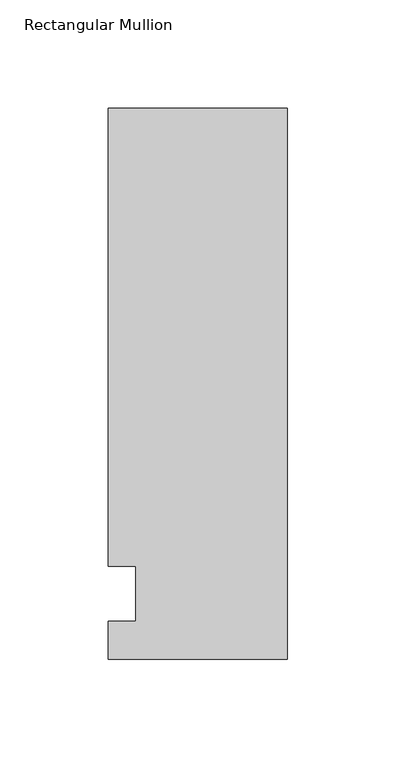
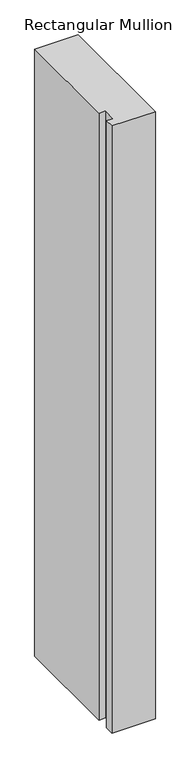
"""IFC4 building model written with IfcOpenShell, lengths in millimetres: member geometry, Rectangular Mullion."""

import ifcopenshell
import ifcopenshell.guid

model = None  # the IFC model being written
_history = None  # IfcOwnerHistory: only IFC2X3 demands one
_inside = {}  # id of a spatial element -> (the spatial element, [elements in it])
_under = {}  # id of a project, library or spatial element -> (it, [spatial elements below it])
_declared = {}  # id of a project -> (the project, [libraries it declares])
_typed = {}  # id of a type object -> (the type object, [elements of that type])
_made_of = {}  # id of a material, layer set ... -> (it, [elements and type objects made of it])


def new_model(schema):
    """Start an empty IFC model of exactly this schema.

    Asked for "IFC4X3", IfcOpenShell would pick the latest addendum, in which some entities
    have other attributes; the version numbers below select the first issue.
    IFC2X3 requires an IfcOwnerHistory on every rooted entity: one is made here for all.
    """
    global model, _history
    if schema == "IFC4X3":
        model = ifcopenshell.file(schema_version=(4, 3, 0, 0))
    else:
        model = ifcopenshell.file(schema=schema)
    _inside.clear()
    _under.clear()
    _declared.clear()
    _typed.clear()
    _made_of.clear()
    _history = None
    if model.schema == "IFC2X3":
        org = make("IfcOrganization", Name="unknown")
        user = make(
            "IfcPersonAndOrganization",
            ThePerson=make("IfcPerson", FamilyName="unknown"),
            TheOrganization=org,
        )
        app = make(
            "IfcApplication",
            ApplicationDeveloper=org,
            Version="unknown",
            ApplicationFullName="unknown",
            ApplicationIdentifier="unknown",
        )
        _history = make(
            "IfcOwnerHistory",
            OwningUser=user,
            OwningApplication=app,
            ChangeAction="ADDED",
            CreationDate=0,
        )
    return model


def make(cls, **values):
    """One entity of the class cls with the attributes given. An attribute that is None is left unset."""
    return model.create_entity(
        cls, **{name: value for name, value in values.items() if value is not None}
    )


def rooted(cls, **values):
    """An entity with a GlobalId (a new one), such as an element, a storey or a relation."""
    return make(cls, GlobalId=ifcopenshell.guid.new(), OwnerHistory=_history, **values)


def si_unit(unit_type, name, prefix=None):
    """IfcSIUnit, for example si_unit("LENGTHUNIT", "METRE", prefix="MILLI")."""
    return make("IfcSIUnit", UnitType=unit_type, Prefix=prefix, Name=name)


def assignment(units):
    """IfcUnitAssignment: the units of a project."""
    return None if units is None else make("IfcUnitAssignment", Units=units)


def point(xyz):
    """IfcCartesianPoint."""
    return None if xyz is None else make("IfcCartesianPoint", Coordinates=xyz)


def direction(xyz):
    """IfcDirection."""
    return None if xyz is None else make("IfcDirection", DirectionRatios=xyz)


def frame(location, z_axis=None, x_axis=None):
    """IfcAxis2Placement3D, a coordinate frame: its origin and axes. An axis left out is left unset."""
    return make(
        "IfcAxis2Placement3D",
        Location=point(location),
        Axis=direction(z_axis),
        RefDirection=direction(x_axis),
    )


def origin():
    """The frame at (0, 0, 0) with its axes left unset."""
    return frame((0.0, 0.0, 0.0))


def place(relative_to, where):
    """IfcLocalPlacement: puts the frame where relative to a parent placement (None: the world)."""
    return make(
        "IfcLocalPlacement", PlacementRelTo=relative_to, RelativePlacement=where
    )


def context(
    kind, dimensions, precision=None, world=None, true_north=None, identifier=None
):
    """IfcGeometricRepresentationContext, for example the 3D "Model" context."""
    return make(
        "IfcGeometricRepresentationContext",
        ContextIdentifier=identifier,
        ContextType=kind,
        CoordinateSpaceDimension=dimensions,
        Precision=precision,
        WorldCoordinateSystem=world,
        TrueNorth=true_north,
    )


def project(units=None, contexts=None):
    """IfcProject with its units and contexts."""
    return rooted(
        "IfcProject",
        Name="project",
        RepresentationContexts=contexts,
        UnitsInContext=assignment(units),
    )


def spatial(cls, under=None, at=None, **own):
    """A site, building, storey or space (cls), placed at a placement, below another one or the project."""
    s = rooted(cls, ObjectPlacement=at, **own)
    if under is not None:
        _under.setdefault(under.id(), (under, []))[1].append(s)
    return s


def polyline(points):
    """IfcPolyline through the points."""
    return make("IfcPolyline", Points=[point(p) for p in points])


def outline(outer, holes=None, kind="AREA"):
    """IfcArbitraryClosedProfileDef: a profile drawn as a closed curve; with holes, ...WithVoids."""
    if holes is None:
        return make("IfcArbitraryClosedProfileDef", ProfileType=kind, OuterCurve=outer)
    return make(
        "IfcArbitraryProfileDefWithVoids",
        ProfileType=kind,
        OuterCurve=outer,
        InnerCurves=holes,
    )


def extrude(swept, where, along, depth):
    """IfcExtrudedAreaSolid: the profile swept, set in the frame where, extruded along a direction by depth."""
    return make(
        "IfcExtrudedAreaSolid",
        SweptArea=swept,
        Position=where,
        ExtrudedDirection=direction(along),
        Depth=depth,
    )


def shape(context_of_items, identifier, shape_type, items):
    """IfcShapeRepresentation: the items that make up one representation, for example the "Body"."""
    return make(
        "IfcShapeRepresentation",
        ContextOfItems=context_of_items,
        RepresentationIdentifier=identifier,
        RepresentationType=shape_type,
        Items=items,
    )


def source(mapping_origin, context_of_items, identifier, shape_type, items):
    """IfcRepresentationMap: a shape defined once, which mapped items show again and again."""
    return make(
        "IfcRepresentationMap",
        MappingOrigin=mapping_origin,
        MappedRepresentation=shape(context_of_items, identifier, shape_type, items),
    )


def transform(
    local_origin,
    x_axis=None,
    y_axis=None,
    z_axis=None,
    scale=None,
    scale2=None,
    scale3=None,
    uniform=True,
):
    """IfcCartesianTransformationOperator3D, or its non-uniform kind. x_axis, y_axis, z_axis: its Axis1, 2, 3."""
    if uniform:
        return make(
            "IfcCartesianTransformationOperator3D",
            Axis1=direction(x_axis),
            Axis2=direction(y_axis),
            LocalOrigin=point(local_origin),
            Scale=scale,
            Axis3=direction(z_axis),
        )
    return make(
        "IfcCartesianTransformationOperator3DnonUniform",
        Axis1=direction(x_axis),
        Axis2=direction(y_axis),
        LocalOrigin=point(local_origin),
        Scale=scale,
        Axis3=direction(z_axis),
        Scale2=scale2,
        Scale3=scale3,
    )


def mapped(mapping_source, mapping_target):
    """IfcMappedItem: shows the shape of a source again, moved by a transform."""
    return make(
        "IfcMappedItem", MappingSource=mapping_source, MappingTarget=mapping_target
    )


def made_of(thing, what):
    """Note that an element or type object is made of a material, layer set ...; save() writes the relation."""
    if what is not None:
        _made_of.setdefault(what.id(), (what, []))[1].append(thing)
    return thing


def element(
    cls,
    number,
    at=None,
    inside=None,
    cuts=None,
    type_object=None,
    material=None,
    context=None,
    identifier="Body",
    shape_type=None,
    held_by="IfcProductDefinitionShape",
    body=None,
    shapes=None,
    **own,
):
    """One element of the class cls, such as IfcWall. Its Tag is "e" and its number.

    at: its placement. inside: the storey or other place that contains it. cuts: it is an
    opening in that element (IfcRelVoidsElement). A single representation is given by context,
    identifier, shape_type and body (its items); several are given by shapes. held_by: the class
    of the entity that holds the representations. save() writes the other relations.
    """
    e = rooted(cls, Tag="e%d" % number, ObjectPlacement=at, **own)
    if body is not None:
        shapes = [shape(context, identifier, shape_type, body)]
    if shapes is not None:
        e.Representation = make(held_by, Representations=shapes)
    if inside is not None:
        _inside.setdefault(inside.id(), (inside, []))[1].append(e)
    if cuts is not None:
        rooted(
            "IfcRelVoidsElement", RelatingBuildingElement=cuts, RelatedOpeningElement=e
        )
    if type_object is not None:
        _typed.setdefault(type_object.id(), (type_object, []))[1].append(e)
    return made_of(e, material)


def aggregate(whole, parts):
    """IfcRelAggregates: a whole, such as a stair, and the parts it consists of."""
    return rooted("IfcRelAggregates", RelatingObject=whole, RelatedObjects=parts)


def save(model, path):
    """Write the relations noted so far, then the file.

    IfcRelAggregates (storeys below a building ...), IfcRelContainedInSpatialStructure (elements
    in a storey), IfcRelDefinesByType, IfcRelAssociatesMaterial and IfcRelDeclares: one each for
    every whole, place, type object, material and project.
    """
    for whole, parts in _under.values():
        aggregate(whole, parts)
    for where, things in _inside.values():
        rooted(
            "IfcRelContainedInSpatialStructure",
            RelatedElements=things,
            RelatingStructure=where,
        )
    for kind, things in _typed.values():
        rooted("IfcRelDefinesByType", RelatedObjects=things, RelatingType=kind)
    for what, things in _made_of.values():
        rooted("IfcRelAssociatesMaterial", RelatedObjects=things, RelatingMaterial=what)
    for by, libraries in _declared.values():
        rooted("IfcRelDeclares", RelatingContext=by, RelatedDefinitions=libraries)
    model.write(path)


def rectangular_mullion_fa3a44b1(model_context):
    return source(origin(), model_context, "Body", "SweptSolid", [
        extrude(outline(polyline([(41.275, 223.8375), (41.275, -30.1625), (-41.275, -30.1625), (-41.275, -12.7), (-28.575, -12.7), (-28.575, 12.7), (-41.275, 12.7), (-41.275, 223.8375), (41.275, 223.8375)])), frame((0.0, 0.0, -1219.2), z_axis=(0.0, 0.0, 1.0), x_axis=(1.0, 0.0, 0.0)), (0.0, 0.0, 1.0), 1219.2),
    ])


if __name__ == "__main__":
    model = new_model("IFC4")
    model_context = context("Model", 3, world=origin())
    ifc_project = project(units=[si_unit("LENGTHUNIT", "METRE", prefix="MILLI")], contexts=[model_context])
    site = spatial("IfcSite", under=ifc_project)
    building = spatial("IfcBuilding", under=site)
    placement = place(None, origin())
    rectangular_mullion_shape = rectangular_mullion_fa3a44b1(model_context)
    element("IfcMember", 1, ObjectType="Rectangular Mullion", at=placement, inside=building, context=model_context, shape_type="MappedRepresentation", body=[
        mapped(rectangular_mullion_shape, transform((0.0, 0.0, 0.0), x_axis=(1.0, 0.0, 0.0), y_axis=(0.0, 1.0, 0.0), z_axis=(0.0, 0.0, 1.0))),
    ])
    save(model, "model.ifc")
